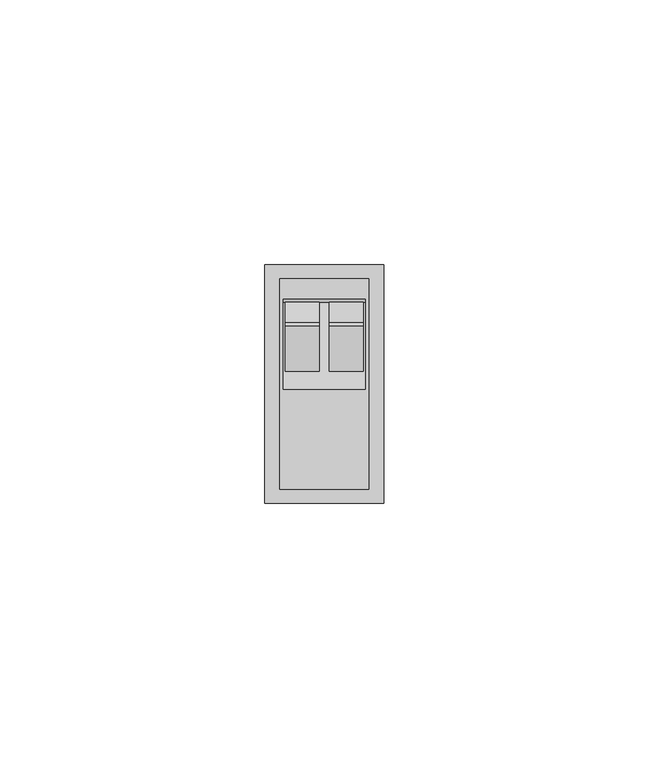
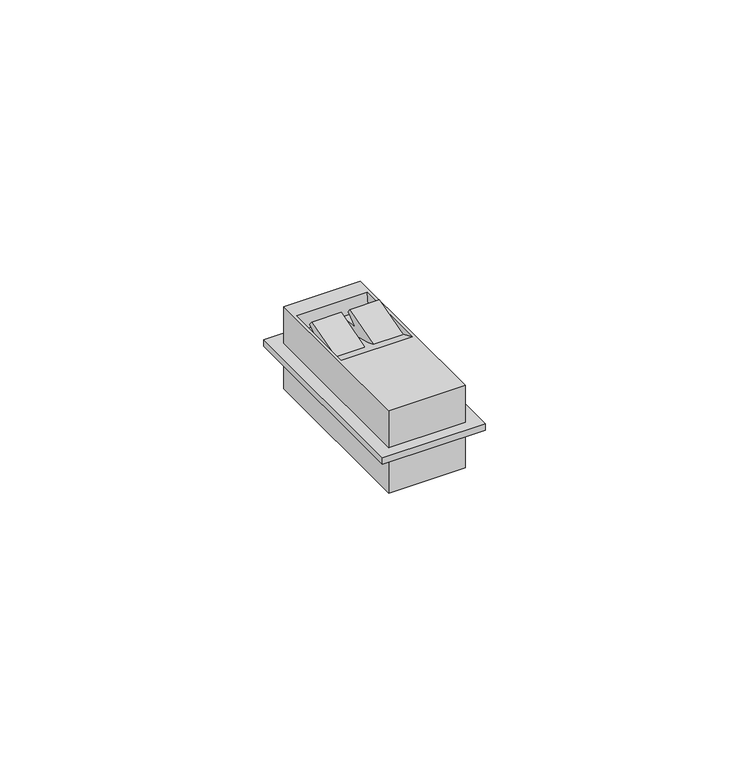
"""IFC4 building model written with IfcOpenShell, lengths in millimetres: proxy geometry."""

import ifcopenshell
import ifcopenshell.guid

model = None  # the IFC model being written
_history = None  # IfcOwnerHistory: only IFC2X3 demands one
_inside = {}  # id of a spatial element -> (the spatial element, [elements in it])
_under = {}  # id of a project, library or spatial element -> (it, [spatial elements below it])
_declared = {}  # id of a project -> (the project, [libraries it declares])
_typed = {}  # id of a type object -> (the type object, [elements of that type])
_made_of = {}  # id of a material, layer set ... -> (it, [elements and type objects made of it])


def new_model(schema):
    """Start an empty IFC model of exactly this schema.

    Asked for "IFC4X3", IfcOpenShell would pick the latest addendum, in which some entities
    have other attributes; the version numbers below select the first issue.
    IFC2X3 requires an IfcOwnerHistory on every rooted entity: one is made here for all.
    """
    global model, _history
    if schema == "IFC4X3":
        model = ifcopenshell.file(schema_version=(4, 3, 0, 0))
    else:
        model = ifcopenshell.file(schema=schema)
    _inside.clear()
    _under.clear()
    _declared.clear()
    _typed.clear()
    _made_of.clear()
    _history = None
    if model.schema == "IFC2X3":
        org = make("IfcOrganization", Name="unknown")
        user = make(
            "IfcPersonAndOrganization",
            ThePerson=make("IfcPerson", FamilyName="unknown"),
            TheOrganization=org,
        )
        app = make(
            "IfcApplication",
            ApplicationDeveloper=org,
            Version="unknown",
            ApplicationFullName="unknown",
            ApplicationIdentifier="unknown",
        )
        _history = make(
            "IfcOwnerHistory",
            OwningUser=user,
            OwningApplication=app,
            ChangeAction="ADDED",
            CreationDate=0,
        )
    return model


def make(cls, **values):
    """One entity of the class cls with the attributes given. An attribute that is None is left unset."""
    return model.create_entity(
        cls, **{name: value for name, value in values.items() if value is not None}
    )


def rooted(cls, **values):
    """An entity with a GlobalId (a new one), such as an element, a storey or a relation."""
    return make(cls, GlobalId=ifcopenshell.guid.new(), OwnerHistory=_history, **values)


def si_unit(unit_type, name, prefix=None):
    """IfcSIUnit, for example si_unit("LENGTHUNIT", "METRE", prefix="MILLI")."""
    return make("IfcSIUnit", UnitType=unit_type, Prefix=prefix, Name=name)


def assignment(units):
    """IfcUnitAssignment: the units of a project."""
    return None if units is None else make("IfcUnitAssignment", Units=units)


def point(xyz):
    """IfcCartesianPoint."""
    return None if xyz is None else make("IfcCartesianPoint", Coordinates=xyz)


def direction(xyz):
    """IfcDirection."""
    return None if xyz is None else make("IfcDirection", DirectionRatios=xyz)


def frame(location, z_axis=None, x_axis=None):
    """IfcAxis2Placement3D, a coordinate frame: its origin and axes. An axis left out is left unset."""
    return make(
        "IfcAxis2Placement3D",
        Location=point(location),
        Axis=direction(z_axis),
        RefDirection=direction(x_axis),
    )


def frame_2d(location, x_axis=None):
    """IfcAxis2Placement2D, a coordinate frame in the plane: its origin and x axis."""
    return make(
        "IfcAxis2Placement2D", Location=point(location), RefDirection=direction(x_axis)
    )


def origin():
    """The frame at (0, 0, 0) with its axes left unset."""
    return frame((0.0, 0.0, 0.0))


def origin_with_axes():
    """The frame at (0, 0, 0) with the z axis (0, 0, 1) and the x axis (1, 0, 0) written out."""
    return frame((0.0, 0.0, 0.0), z_axis=(0.0, 0.0, 1.0), x_axis=(1.0, 0.0, 0.0))


def place(relative_to, where):
    """IfcLocalPlacement: puts the frame where relative to a parent placement (None: the world)."""
    return make(
        "IfcLocalPlacement", PlacementRelTo=relative_to, RelativePlacement=where
    )


def context(
    kind, dimensions, precision=None, world=None, true_north=None, identifier=None
):
    """IfcGeometricRepresentationContext, for example the 3D "Model" context."""
    return make(
        "IfcGeometricRepresentationContext",
        ContextIdentifier=identifier,
        ContextType=kind,
        CoordinateSpaceDimension=dimensions,
        Precision=precision,
        WorldCoordinateSystem=world,
        TrueNorth=true_north,
    )


def project(units=None, contexts=None):
    """IfcProject with its units and contexts."""
    return rooted(
        "IfcProject",
        Name="project",
        RepresentationContexts=contexts,
        UnitsInContext=assignment(units),
    )


def spatial(cls, under=None, at=None, **own):
    """A site, building, storey or space (cls), placed at a placement, below another one or the project."""
    s = rooted(cls, ObjectPlacement=at, **own)
    if under is not None:
        _under.setdefault(under.id(), (under, []))[1].append(s)
    return s


def polyline(points):
    """IfcPolyline through the points."""
    return make("IfcPolyline", Points=[point(p) for p in points])


def circle_curve(where, radius):
    """IfcCircle in the frame where."""
    return make("IfcCircle", Position=where, Radius=radius)


def trimmed(basis, trim1, trim2, sense, master):
    """IfcTrimmedCurve: the piece of a basis curve between two trims."""
    return make(
        "IfcTrimmedCurve",
        BasisCurve=basis,
        Trim1=trim1,
        Trim2=trim2,
        SenseAgreement=sense,
        MasterRepresentation=master,
    )


def segment(curve, same_sense, transition):
    """IfcCompositeCurveSegment."""
    return make(
        "IfcCompositeCurveSegment",
        Transition=transition,
        SameSense=same_sense,
        ParentCurve=curve,
    )


def composite_curve(segments, self_intersect=None):
    """IfcCompositeCurve: segments joined end to end."""
    return make("IfcCompositeCurve", Segments=segments, SelfIntersect=self_intersect)


def outline(outer, holes=None, kind="AREA"):
    """IfcArbitraryClosedProfileDef: a profile drawn as a closed curve; with holes, ...WithVoids."""
    if holes is None:
        return make("IfcArbitraryClosedProfileDef", ProfileType=kind, OuterCurve=outer)
    return make(
        "IfcArbitraryProfileDefWithVoids",
        ProfileType=kind,
        OuterCurve=outer,
        InnerCurves=holes,
    )


def extrude(swept, where, along, depth):
    """IfcExtrudedAreaSolid: the profile swept, set in the frame where, extruded along a direction by depth."""
    return make(
        "IfcExtrudedAreaSolid",
        SweptArea=swept,
        Position=where,
        ExtrudedDirection=direction(along),
        Depth=depth,
    )


def shape(context_of_items, identifier, shape_type, items):
    """IfcShapeRepresentation: the items that make up one representation, for example the "Body"."""
    return make(
        "IfcShapeRepresentation",
        ContextOfItems=context_of_items,
        RepresentationIdentifier=identifier,
        RepresentationType=shape_type,
        Items=items,
    )


def source(mapping_origin, context_of_items, identifier, shape_type, items):
    """IfcRepresentationMap: a shape defined once, which mapped items show again and again."""
    return make(
        "IfcRepresentationMap",
        MappingOrigin=mapping_origin,
        MappedRepresentation=shape(context_of_items, identifier, shape_type, items),
    )


def transform(
    local_origin,
    x_axis=None,
    y_axis=None,
    z_axis=None,
    scale=None,
    scale2=None,
    scale3=None,
    uniform=True,
):
    """IfcCartesianTransformationOperator3D, or its non-uniform kind. x_axis, y_axis, z_axis: its Axis1, 2, 3."""
    if uniform:
        return make(
            "IfcCartesianTransformationOperator3D",
            Axis1=direction(x_axis),
            Axis2=direction(y_axis),
            LocalOrigin=point(local_origin),
            Scale=scale,
            Axis3=direction(z_axis),
        )
    return make(
        "IfcCartesianTransformationOperator3DnonUniform",
        Axis1=direction(x_axis),
        Axis2=direction(y_axis),
        LocalOrigin=point(local_origin),
        Scale=scale,
        Axis3=direction(z_axis),
        Scale2=scale2,
        Scale3=scale3,
    )


def mapped(mapping_source, mapping_target):
    """IfcMappedItem: shows the shape of a source again, moved by a transform."""
    return make(
        "IfcMappedItem", MappingSource=mapping_source, MappingTarget=mapping_target
    )


def made_of(thing, what):
    """Note that an element or type object is made of a material, layer set ...; save() writes the relation."""
    if what is not None:
        _made_of.setdefault(what.id(), (what, []))[1].append(thing)
    return thing


def element(
    cls,
    number,
    at=None,
    inside=None,
    cuts=None,
    type_object=None,
    material=None,
    context=None,
    identifier="Body",
    shape_type=None,
    held_by="IfcProductDefinitionShape",
    body=None,
    shapes=None,
    **own,
):
    """One element of the class cls, such as IfcWall. Its Tag is "e" and its number.

    at: its placement. inside: the storey or other place that contains it. cuts: it is an
    opening in that element (IfcRelVoidsElement). A single representation is given by context,
    identifier, shape_type and body (its items); several are given by shapes. held_by: the class
    of the entity that holds the representations. save() writes the other relations.
    """
    e = rooted(cls, Tag="e%d" % number, ObjectPlacement=at, **own)
    if body is not None:
        shapes = [shape(context, identifier, shape_type, body)]
    if shapes is not None:
        e.Representation = make(held_by, Representations=shapes)
    if inside is not None:
        _inside.setdefault(inside.id(), (inside, []))[1].append(e)
    if cuts is not None:
        rooted(
            "IfcRelVoidsElement", RelatingBuildingElement=cuts, RelatedOpeningElement=e
        )
    if type_object is not None:
        _typed.setdefault(type_object.id(), (type_object, []))[1].append(e)
    return made_of(e, material)


def aggregate(whole, parts):
    """IfcRelAggregates: a whole, such as a stair, and the parts it consists of."""
    return rooted("IfcRelAggregates", RelatingObject=whole, RelatedObjects=parts)


def save(model, path):
    """Write the relations noted so far, then the file.

    IfcRelAggregates (storeys below a building ...), IfcRelContainedInSpatialStructure (elements
    in a storey), IfcRelDefinesByType, IfcRelAssociatesMaterial and IfcRelDeclares: one each for
    every whole, place, type object, material and project.
    """
    for whole, parts in _under.values():
        aggregate(whole, parts)
    for where, things in _inside.values():
        rooted(
            "IfcRelContainedInSpatialStructure",
            RelatedElements=things,
            RelatingStructure=where,
        )
    for kind, things in _typed.values():
        rooted("IfcRelDefinesByType", RelatedObjects=things, RelatingType=kind)
    for what, things in _made_of.values():
        rooted("IfcRelAssociatesMaterial", RelatedObjects=things, RelatingMaterial=what)
    for by, libraries in _declared.values():
        rooted("IfcRelDeclares", RelatingContext=by, RelatedDefinitions=libraries)
    model.write(path)


def plane_surface(at):
    """IfcPlane: the flat surface through the origin of the frame at, square to its z axis."""
    return make("IfcPlane", Position=at)


def revolved_surface(curve, axis_point, axis_direction):
    """IfcSurfaceOfRevolution: the curve turned about the line through axis_point along axis_direction."""
    return make(
        "IfcSurfaceOfRevolution",
        SweptCurve=make("IfcArbitraryOpenProfileDef", ProfileType="CURVE", Curve=curve),
        AxisPosition=make("IfcAxis1Placement", Location=point(axis_point), Axis=direction(axis_direction)),
    )


def advanced_brep(points, edges, surfaces, faces):
    """IfcAdvancedBrep: a solid bounded by faces that lie on surfaces and meet in shared edges.

    An edge is (start, end): straight between two places in points (the first is 0);
    or (start, end, curve); or (start, end, curve, False) where it runs against its curve.
    A face is (place in surfaces, loops), or (place, loops, False) where it looks against
    its surface's normal. A loop lists edges by number (the first is 1), with a minus sign
    where the edge is run from its end to its start. The first loop is the outer one.
    """
    corners = [point(p) for p in points]
    vertices = [make("IfcVertexPoint", VertexGeometry=c) for c in corners]
    made = []
    for start, end, *more in edges:
        made.append(
            make(
                "IfcEdgeCurve",
                EdgeStart=vertices[start],
                EdgeEnd=vertices[end],
                EdgeGeometry=more[0] if more else make("IfcPolyline", Points=[corners[start], corners[end]]),
                SameSense=more[1] if len(more) > 1 else True,
            )
        )
    hull = []
    for where, loops, *sense in faces:
        bounds = []
        for j, loop in enumerate(loops):
            ring = [make("IfcOrientedEdge", EdgeElement=made[abs(k) - 1], Orientation=k > 0) for k in loop]
            bounds.append(
                make(
                    "IfcFaceOuterBound" if j == 0 else "IfcFaceBound",
                    Bound=make("IfcEdgeLoop", EdgeList=ring),
                    Orientation=True,
                )
            )
        hull.append(make("IfcAdvancedFace", Bounds=bounds, FaceSurface=surfaces[where], SameSense=sense[0] if sense else True))
    return make("IfcAdvancedBrep", Outer=make("IfcClosedShell", CfsFaces=hull))


def electrical_fixtures_72bd0108(model_context):
    return source(origin(), model_context, "Body", "SolidModel", [
        advanced_brep(
        [(2.85, 42.4, 9.762), (2.85, 2.6, 9.762), (19.65, 2.6, 9.762), (19.65, 42.4, 9.762), (18.9375918, 38.5119369, 9.762), (18.9375918, 21.5462071, 9.762), (3.4629573, 21.5462071, 9.762), (3.4629573, 38.5119369, 9.762), (2.85, 42.4, -9.3), (19.65, 42.4, -9.3), (19.65, 2.6, -9.3), (2.85, 2.6, -9.3), (18.9375918, 37.9131464, 5.5317512), (3.4629573, 37.9131464, 5.5317512)],
        [
            (0, 1),
            (1, 2),
            (2, 3),
            (3, 0),
            (4, 5),
            (5, 6),
            (6, 7),
            (7, 4),
            (8, 9),
            (9, 10),
            (10, 11),
            (11, 8),
            (0, 8),
            (11, 1),
            (10, 2),
            (9, 3),
            (12, 5, circle_curve(frame((18.9375918, 39.1556791, 44.1163164), z_axis=(-1.0, 0.0, 0.0), x_axis=(0.0, -1.0, 0.0)), 38.6045666)),
            (4, 12),
            (13, 7),
            (6, 13, circle_curve(frame((3.4629573, 39.1556791, 44.1163164), z_axis=(1.0, 0.0, 0.0), x_axis=(0.0, -1.0, 0.0)), 38.6045666)),
            (13, 12),
        ],
        [
            plane_surface(frame((2.85, 2.5, 9.762), z_axis=(0.0, 0.0, 1.0), x_axis=(0.0, -1.0, 0.0))),
            plane_surface(frame((2.85, 2.5, -9.3), z_axis=(0.0, 0.0, -1.0), x_axis=(0.0, 1.0, 0.0))),
            plane_surface(frame((2.85, 42.4, 9.762), z_axis=(-1.0, 0.0, 0.0), x_axis=(0.0, 0.0, -1.0))),
            plane_surface(frame((2.85, 2.6, 9.762), z_axis=(0.0, -1.0, 0.0), x_axis=(0.0, 0.0, -1.0))),
            plane_surface(frame((19.65, 2.6, 9.762), z_axis=(1.0, 0.0, 0.0), x_axis=(0.0, 0.0, -1.0))),
            plane_surface(frame((19.65, 42.4, 9.762), z_axis=(0.0, 1.0, 0.0), x_axis=(0.0, 0.0, -1.0))),
            plane_surface(frame((18.9375918, 38.5119369, 9.762), z_axis=(-1.0, 0.0, 0.0), x_axis=(0.0, 0.14015259589140017, 0.990129915649912))),
            plane_surface(frame((3.4629573, 38.5119369, 9.762), z_axis=(1.0, 0.0, 0.0), x_axis=(0.0, -0.14015259589140017, -0.990129915649912))),
            plane_surface(frame((18.9375918, 37.9131464, 5.5317512), z_axis=(0.0, -0.990129915649912, 0.14015259589140017), x_axis=(-1.0, 0.0, 0.0))),
            revolved_surface(polyline([(18.9375918, 0.5511125000000021, 44.1163164), (3.4629573, 0.5511125000000021, 44.1163164)]), (3.4629573, 39.1556791, 44.1163164), (1.0, 0.0, 0.0)),
        ],
        [
            (0, [[1, 2, 3, 4], [5, 6, 7, 8]]),
            (1, [[9, 10, 11, 12]]),
            (2, [[-1, 13, -12, 14]]),
            (3, [[-2, -14, -11, 15]]),
            (4, [[-3, -15, -10, 16]]),
            (5, [[-4, -16, -9, -13]]),
            (6, [[17, -5, 18]]),
            (7, [[19, -7, 20]]),
            (8, [[-18, -8, -19, 21]]),
            (9, [[-17, -21, -20, -6]]),
        ],
    ),
        extrude(outline(composite_curve([segment(trimmed(circle_curve(frame_2d((31.558668, -3.3463957)), 11.7802732), [point((31.251009, 8.4298594))], [point((37.9236321, 6.5663269))], False, "CARTESIAN"), True, "CONTINUOUS"), segment(polyline([(37.9236321, 6.5663269), (37.9236321, 4.3133894), (23.9159242, 8.570634), (33.450433, 11.223768), (34.0559169, 10.3299583), (31.251009, 8.4298594)]), True, "CONTINUOUS")], self_intersect=False)), frame((12.1412387, 0.0, 0.0), z_axis=(1.0, 0.0, 0.0), x_axis=(0.0, 1.0, 0.0)), (0.0, 0.0, 1.0), 6.4446569),
        extrude(outline(composite_curve([segment(trimmed(circle_curve(frame_2d((31.558668, -3.3463957)), 11.7802732), [point((31.251009, 8.4298594))], [point((37.9236321, 6.5663269))], False, "CARTESIAN"), True, "CONTINUOUS"), segment(polyline([(37.9236321, 6.5663269), (37.9236321, 3.6883894), (22.8423878, 8.2719049), (33.450433, 11.223768), (34.0559169, 10.3299583), (31.251009, 8.4298594)]), True, "CONTINUOUS")], self_intersect=False)), frame((3.8146536, 0.0, 0.0), z_axis=(1.0, 0.0, 0.0), x_axis=(0.0, 1.0, 0.0)), (0.0, 0.0, 1.0), 6.4446569),
        extrude(outline(polyline([(0.0, 0.0), (0.0, 45.0), (22.5, 45.0), (22.5, 0.0), (0.0, 0.0)]), holes=[polyline([(2.85, 42.4), (2.85, 2.6), (19.65, 2.6), (19.65, 42.4), (2.85, 42.4)])]), origin_with_axes(), (0.0, 0.0, 1.0), 1.5),
    ])


if __name__ == "__main__":
    model = new_model("IFC4")
    model_context = context("Model", 3, world=origin())
    ifc_project = project(units=[si_unit("LENGTHUNIT", "METRE", prefix="MILLI")], contexts=[model_context])
    site = spatial("IfcSite", under=ifc_project)
    building = spatial("IfcBuilding", under=site)
    placement = place(None, origin())
    electrical_fixtures_shape = electrical_fixtures_72bd0108(model_context)
    element("IfcBuildingElementProxy", 1, Name="Electrical Fixtures", at=placement, inside=building, context=model_context, shape_type="MappedRepresentation", body=[
        mapped(electrical_fixtures_shape, transform((0.0, 0.0, 0.0), x_axis=(1.0, 0.0, 0.0), y_axis=(0.0, 1.0, 0.0), z_axis=(0.0, 0.0, 1.0))),
    ])
    save(model, "model.ifc")
